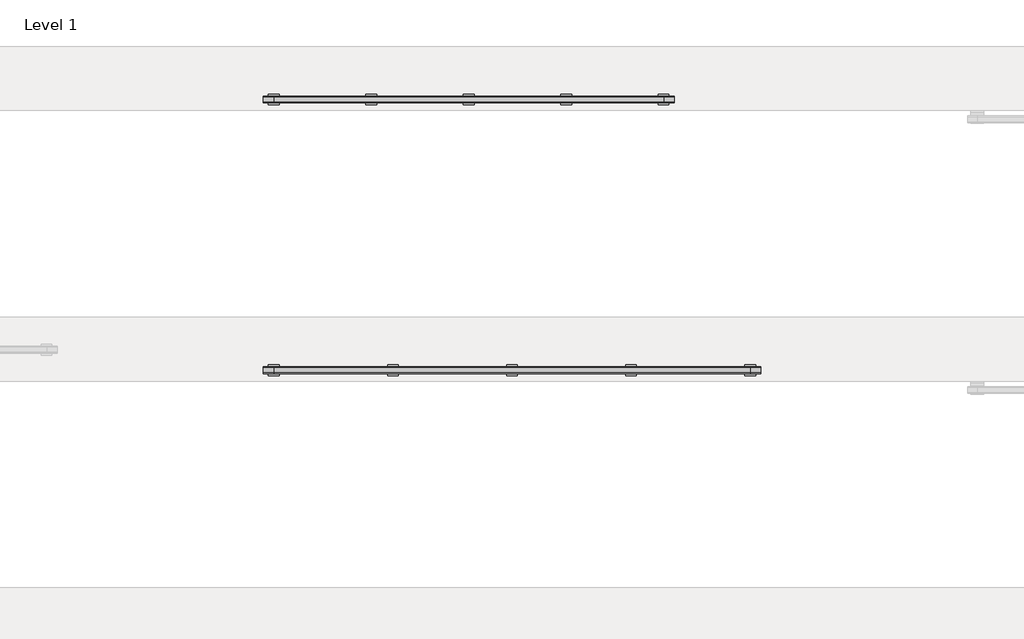
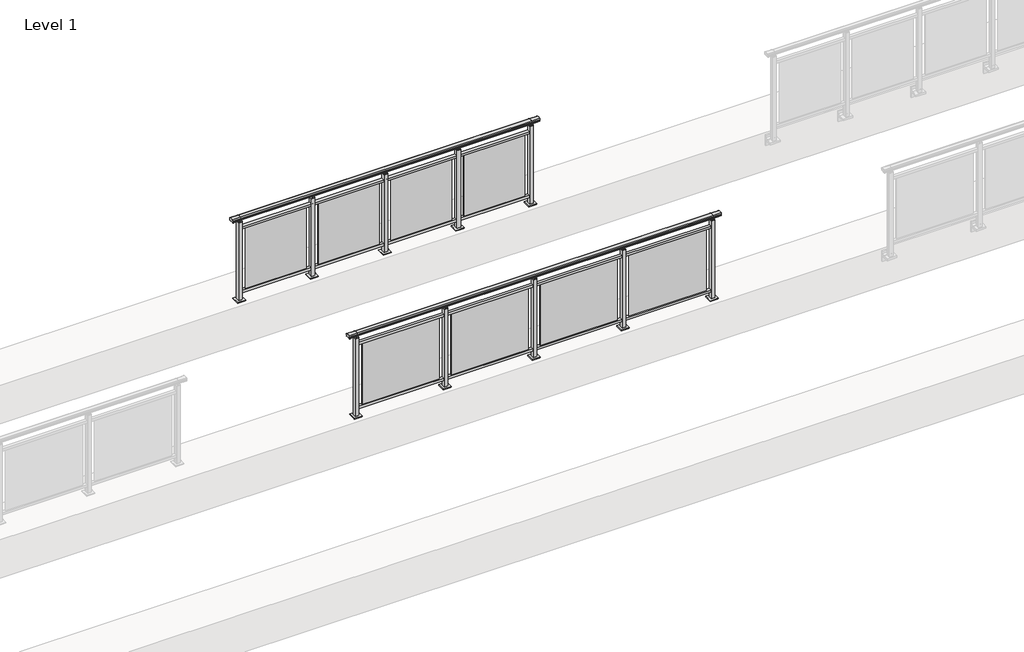
# One storey, part 39 of 64: 2 railings.
"""IFC4 building model written with IfcOpenShell, lengths in millimetres."""

from ifc_helpers import new_model, si_unit, frame, origin, origin_with_axes, place, context, project, spatial, polyline, circle_curve, outline, extrude, element, save
from ifc_brep_helpers import plane_surface, cylinder_surface, revolved_surface, advanced_brep

model = new_model("IFC4")

# Units and contexts
model_context = context("Model", 3, world=origin())
ifc_project = project(units=[si_unit("LENGTHUNIT", "METRE", prefix="MILLI")], contexts=[model_context])

# Site, building, storey
site = spatial("IfcSite", under=ifc_project)
building = spatial("IfcBuilding", under=site)
storey = spatial("IfcBuildingStorey", under=building, Name="Level 1", Elevation=0.0)

# Railings
placement = place(None, origin())
element("IfcRailing", 1, at=placement, inside=storey, context=model_context, shape_type="SolidModel", body=[
    advanced_brep(
    [(36400.0, 5025.3633756, 1095.6691182), (36400.0, 5030.1846828, 1081.1334092), (36400.0, 5029.2413744, 1069.2539035), (36400.0, 5031.1364177, 1061.4863007), (36400.0, 5029.4894799, 1060.384124), (36400.0, 5029.4894799, 1062.0), (36400.0, 4970.8798858, 1062.0), (36400.0, 4970.8798858, 1060.384124), (36400.0, 4969.232948, 1061.4863007), (36400.0, 4971.1279912, 1069.2539035), (36400.0, 4970.1846828, 1081.1334092), (36400.0, 4975.00599, 1095.6691182), (41000.0, 5025.3633756, 1095.6691182), (41000.0, 4975.00599, 1095.6691182), (41000.0, 4970.1846828, 1081.1334092), (41000.0, 4971.1279912, 1069.2539035), (41000.0, 4969.232948, 1061.4863007), (41000.0, 4970.8798858, 1060.384124), (41000.0, 4970.8798858, 1062.0), (41000.0, 5029.4894799, 1062.0), (41000.0, 5029.4894799, 1060.384124), (41000.0, 5031.1364177, 1061.4863007), (41000.0, 5029.2413744, 1069.2539035), (41000.0, 5030.1846828, 1081.1334092), (36500.0, 5025.3633756, 1095.6691182), (36500.0, 5030.1846828, 1081.1334092), (36500.0, 5029.2413744, 1069.2539035), (36500.0, 5031.1364177, 1061.4863007), (36500.0, 5029.4894799, 1060.384124), (36500.0, 5029.4894799, 1062.0), (36500.0, 4970.8798858, 1062.0), (36500.0, 4970.8798858, 1060.384124), (36500.0, 4969.232948, 1061.4863007), (36500.0, 4971.1279912, 1069.2539035), (36500.0, 4970.1846828, 1081.1334092), (36500.0, 4975.00599, 1095.6691182), (40900.0, 5025.3633756, 1095.6691182), (40900.0, 5030.1846828, 1081.1334092), (40900.0, 5029.2413744, 1069.2539035), (40900.0, 5031.1364177, 1061.4863007), (40900.0, 5029.4894799, 1060.384124), (40900.0, 5029.4894799, 1062.0), (40900.0, 4970.8798858, 1062.0), (40900.0, 4970.8798858, 1060.384124), (40900.0, 4969.232948, 1061.4863007), (40900.0, 4971.1279912, 1069.2539035), (40900.0, 4970.1846828, 1081.1334092), (40900.0, 4975.00599, 1095.6691182)],
    [
        (0, 1, circle_curve(frame((36400.0, 5022.1223845, 1086.526686), z_axis=(-1.0, 0.0, 0.0), x_axis=(0.0, -1.0, 0.0)), 9.6999015)),
        (1, 2, circle_curve(frame((36400.0, 5047.7252545, 1073.7633709), z_axis=(1.0, 0.0, 0.0), x_axis=(0.0, -1.0, 0.0)), 19.0260117)),
        (2, 3),
        (3, 4, circle_curve(frame((36400.0, 5030.2772073, 1060.9886194), z_axis=(-1.0, 0.0, 0.0), x_axis=(0.0, -1.0, 0.0)), 0.9929396)),
        (4, 5),
        (5, 6),
        (6, 7),
        (7, 8, circle_curve(frame((36400.0, 4970.0921584, 1060.9886194), z_axis=(-1.0, 0.0, 0.0), x_axis=(0.0, 1.0, 0.0)), 0.9929396)),
        (8, 9),
        (9, 10, circle_curve(frame((36400.0, 4952.6441111, 1073.7633709), z_axis=(1.0, 0.0, 0.0), x_axis=(0.0, 1.0, 0.0)), 19.0260117)),
        (10, 11, circle_curve(frame((36400.0, 4978.2469812, 1086.526686), z_axis=(-1.0, 0.0, 0.0), x_axis=(0.0, 1.0, 0.0)), 9.6999015)),
        (11, 0, circle_curve(frame((36400.0, 5000.1846828, 1024.6431628), z_axis=(-1.0, 0.0, 0.0), x_axis=(0.0, 1.0, 0.0)), 75.3568372)),
        (12, 13, circle_curve(frame((41000.0, 5000.1846828, 1024.6431628), z_axis=(1.0, 0.0, 0.0), x_axis=(0.0, 1.0, 0.0)), 75.3568372)),
        (13, 14, circle_curve(frame((41000.0, 4978.2469812, 1086.526686), z_axis=(1.0, 0.0, 0.0), x_axis=(0.0, 1.0, 0.0)), 9.6999015)),
        (14, 15, circle_curve(frame((41000.0, 4952.6441111, 1073.7633709), z_axis=(-1.0, 0.0, 0.0), x_axis=(0.0, 1.0, 0.0)), 19.0260117)),
        (15, 16),
        (16, 17, circle_curve(frame((41000.0, 4970.0921584, 1060.9886194), z_axis=(1.0, 0.0, 0.0), x_axis=(0.0, 1.0, 0.0)), 0.9929396)),
        (17, 18),
        (18, 19),
        (19, 20),
        (20, 21, circle_curve(frame((41000.0, 5030.2772073, 1060.9886194), z_axis=(1.0, 0.0, 0.0), x_axis=(0.0, -1.0, 0.0)), 0.9929396)),
        (21, 22),
        (22, 23, circle_curve(frame((41000.0, 5047.7252545, 1073.7633709), z_axis=(-1.0, 0.0, 0.0), x_axis=(0.0, -1.0, 0.0)), 19.0260117)),
        (23, 12, circle_curve(frame((41000.0, 5022.1223845, 1086.526686), z_axis=(1.0, 0.0, 0.0), x_axis=(0.0, -1.0, 0.0)), 9.6999015)),
        (0, 24),
        (24, 25, circle_curve(frame((36500.0, 5022.1223845, 1086.526686), z_axis=(-1.0, 0.0, 0.0), x_axis=(0.0, -1.0, 0.0)), 9.6999015)),
        (25, 1),
        (25, 26, circle_curve(frame((36500.0, 5047.7252545, 1073.7633709), z_axis=(1.0, 0.0, 0.0), x_axis=(0.0, -1.0, 0.0)), 19.0260117)),
        (26, 2),
        (26, 27),
        (27, 3),
        (27, 28, circle_curve(frame((36500.0, 5030.2772073, 1060.9886194), z_axis=(-1.0, 0.0, 0.0), x_axis=(0.0, -1.0, 0.0)), 0.9929396)),
        (28, 4),
        (28, 29),
        (29, 5),
        (29, 30),
        (30, 6),
        (30, 31),
        (31, 7),
        (31, 32, circle_curve(frame((36500.0, 4970.0921584, 1060.9886194), z_axis=(-1.0, 0.0, 0.0), x_axis=(0.0, 1.0, 0.0)), 0.9929396)),
        (32, 8),
        (32, 33),
        (33, 9),
        (33, 34, circle_curve(frame((36500.0, 4952.6441111, 1073.7633709), z_axis=(1.0, 0.0, 0.0), x_axis=(0.0, 1.0, 0.0)), 19.0260117)),
        (34, 10),
        (34, 35, circle_curve(frame((36500.0, 4978.2469812, 1086.526686), z_axis=(-1.0, 0.0, 0.0), x_axis=(0.0, 1.0, 0.0)), 9.6999015)),
        (35, 11),
        (35, 24, circle_curve(frame((36500.0, 5000.1846828, 1024.6431628), z_axis=(-1.0, 0.0, 0.0), x_axis=(0.0, 1.0, 0.0)), 75.3568372)),
        (24, 36),
        (36, 37, circle_curve(frame((40900.0, 5022.1223845, 1086.526686), z_axis=(-1.0, 0.0, 0.0), x_axis=(0.0, -1.0, 0.0)), 9.6999015)),
        (37, 25),
        (37, 38, circle_curve(frame((40900.0, 5047.7252545, 1073.7633709), z_axis=(1.0, 0.0, 0.0), x_axis=(0.0, -1.0, 0.0)), 19.0260117)),
        (38, 26),
        (38, 39),
        (39, 27),
        (39, 40, circle_curve(frame((40900.0, 5030.2772073, 1060.9886194), z_axis=(-1.0, 0.0, 0.0), x_axis=(0.0, -1.0, 0.0)), 0.9929396)),
        (40, 28),
        (40, 41),
        (41, 29),
        (41, 42),
        (42, 30),
        (42, 43),
        (43, 31),
        (43, 44, circle_curve(frame((40900.0, 4970.0921584, 1060.9886194), z_axis=(-1.0, 0.0, 0.0), x_axis=(0.0, 1.0, 0.0)), 0.9929396)),
        (44, 32),
        (44, 45),
        (45, 33),
        (45, 46, circle_curve(frame((40900.0, 4952.6441111, 1073.7633709), z_axis=(1.0, 0.0, 0.0), x_axis=(0.0, 1.0, 0.0)), 19.0260117)),
        (46, 34),
        (46, 47, circle_curve(frame((40900.0, 4978.2469812, 1086.526686), z_axis=(-1.0, 0.0, 0.0), x_axis=(0.0, 1.0, 0.0)), 9.6999015)),
        (47, 35),
        (47, 36, circle_curve(frame((40900.0, 5000.1846828, 1024.6431628), z_axis=(-1.0, 0.0, 0.0), x_axis=(0.0, 1.0, 0.0)), 75.3568372)),
        (36, 12),
        (23, 37),
        (22, 38),
        (21, 39),
        (20, 40),
        (19, 41),
        (18, 42),
        (17, 43),
        (16, 44),
        (15, 45),
        (14, 46),
        (13, 47),
    ],
    [
        plane_surface(frame((36400.0, 5000.1846828, 1100.0), z_axis=(-1.0, 0.0, 0.0), x_axis=(0.0, 1.0, 0.0))),
        plane_surface(frame((41000.0, 5000.1846828, 1100.0), z_axis=(1.0, 0.0, 0.0), x_axis=(0.0, 1.0, 0.0))),
        cylinder_surface(frame((36400.0, 5022.1223845, 1086.526686), z_axis=(-1.0, 0.0, 0.0), x_axis=(0.0, -1.0, 0.0)), 9.6999015),
        revolved_surface(polyline([(36500.0, 5028.6992428, 1073.7633709), (36400.0, 5028.6992428, 1073.7633709)]), (36400.0, 5047.7252545, 1073.7633709), (1.0, 0.0, 0.0)),
        plane_surface(frame((36400.0, 5029.2413744, 1069.2539035), z_axis=(0.0, 0.9715057689301543, 0.2370159086125439), x_axis=(1.0, 0.0, 0.0))),
        cylinder_surface(frame((36400.0, 5030.2772073, 1060.9886194), z_axis=(-1.0, 0.0, 0.0), x_axis=(0.0, -1.0, 0.0)), 0.9929396),
        plane_surface(frame((36400.0, 5029.4894799, 1060.384124), z_axis=(0.0, -1.0, 0.0), x_axis=(1.0, 0.0, 0.0))),
        plane_surface(frame((36400.0, 5029.4894799, 1062.0), z_axis=(0.0, 0.0, -1.0), x_axis=(1.0, 0.0, 0.0))),
        plane_surface(frame((36400.0, 4970.8798858, 1062.0), z_axis=(0.0, 1.0, 0.0), x_axis=(1.0, 0.0, 0.0))),
        cylinder_surface(frame((36400.0, 4970.0921584, 1060.9886194), z_axis=(-1.0, 0.0, 0.0), x_axis=(0.0, 1.0, 0.0)), 0.9929396),
        plane_surface(frame((36400.0, 4969.232948, 1061.4863007), z_axis=(0.0, -0.9715057689301543, 0.2370159086125439), x_axis=(1.0, 0.0, 0.0))),
        revolved_surface(polyline([(36500.0, 4971.6701228, 1073.7633709), (36400.0, 4971.6701228, 1073.7633709)]), (36400.0, 4952.6441111, 1073.7633709), (1.0, 0.0, 0.0)),
        cylinder_surface(frame((36400.0, 4978.2469812, 1086.526686), z_axis=(-1.0, 0.0, 0.0), x_axis=(0.0, 1.0, 0.0)), 9.6999015),
        cylinder_surface(frame((36400.0, 5000.1846828, 1024.6431628), z_axis=(-1.0, 0.0, 0.0), x_axis=(0.0, 1.0, 0.0)), 75.3568372),
        cylinder_surface(frame((36500.0, 5022.1223845, 1086.526686), z_axis=(-1.0, 0.0, 0.0), x_axis=(0.0, -1.0, 0.0)), 9.6999015),
        revolved_surface(polyline([(40900.0, 5028.6992428, 1073.7633709), (36500.0, 5028.6992428, 1073.7633709)]), (36500.0, 5047.7252545, 1073.7633709), (1.0, 0.0, 0.0)),
        plane_surface(frame((36500.0, 5029.2413744, 1069.2539035), z_axis=(0.0, 0.9715057689301543, 0.2370159086125439), x_axis=(1.0, 0.0, 0.0))),
        cylinder_surface(frame((36500.0, 5030.2772073, 1060.9886194), z_axis=(-1.0, 0.0, 0.0), x_axis=(0.0, -1.0, 0.0)), 0.9929396),
        plane_surface(frame((36500.0, 5029.4894799, 1060.384124), z_axis=(0.0, -1.0, 0.0), x_axis=(1.0, 0.0, 0.0))),
        plane_surface(frame((36500.0, 5029.4894799, 1062.0), z_axis=(0.0, 0.0, -1.0), x_axis=(1.0, 0.0, 0.0))),
        plane_surface(frame((36500.0, 4970.8798858, 1062.0), z_axis=(0.0, 1.0, 0.0), x_axis=(1.0, 0.0, 0.0))),
        cylinder_surface(frame((36500.0, 4970.0921584, 1060.9886194), z_axis=(-1.0, 0.0, 0.0), x_axis=(0.0, 1.0, 0.0)), 0.9929396),
        plane_surface(frame((36500.0, 4969.232948, 1061.4863007), z_axis=(0.0, -0.9715057689301543, 0.2370159086125439), x_axis=(1.0, 0.0, 0.0))),
        revolved_surface(polyline([(40900.0, 4971.6701228, 1073.7633709), (36500.0, 4971.6701228, 1073.7633709)]), (36500.0, 4952.6441111, 1073.7633709), (1.0, 0.0, 0.0)),
        cylinder_surface(frame((36500.0, 4978.2469812, 1086.526686), z_axis=(-1.0, 0.0, 0.0), x_axis=(0.0, 1.0, 0.0)), 9.6999015),
        cylinder_surface(frame((36500.0, 5000.1846828, 1024.6431628), z_axis=(-1.0, 0.0, 0.0), x_axis=(0.0, 1.0, 0.0)), 75.3568372),
        cylinder_surface(frame((40900.0, 5022.1223845, 1086.526686), z_axis=(-1.0, 0.0, 0.0), x_axis=(0.0, -1.0, 0.0)), 9.6999015),
        revolved_surface(polyline([(41000.0, 5028.6992428, 1073.7633709), (40900.0, 5028.6992428, 1073.7633709)]), (40900.0, 5047.7252545, 1073.7633709), (1.0, 0.0, 0.0)),
        plane_surface(frame((40900.0, 5029.2413744, 1069.2539035), z_axis=(0.0, 0.9715057689301543, 0.2370159086125439), x_axis=(1.0, 0.0, 0.0))),
        cylinder_surface(frame((40900.0, 5030.2772073, 1060.9886194), z_axis=(-1.0, 0.0, 0.0), x_axis=(0.0, -1.0, 0.0)), 0.9929396),
        plane_surface(frame((40900.0, 5029.4894799, 1060.384124), z_axis=(0.0, -1.0, 0.0), x_axis=(1.0, 0.0, 0.0))),
        plane_surface(frame((40900.0, 5029.4894799, 1062.0), z_axis=(0.0, 0.0, -1.0), x_axis=(1.0, 0.0, 0.0))),
        plane_surface(frame((40900.0, 4970.8798858, 1062.0), z_axis=(0.0, 1.0, 0.0), x_axis=(1.0, 0.0, 0.0))),
        cylinder_surface(frame((40900.0, 4970.0921584, 1060.9886194), z_axis=(-1.0, 0.0, 0.0), x_axis=(0.0, 1.0, 0.0)), 0.9929396),
        plane_surface(frame((40900.0, 4969.232948, 1061.4863007), z_axis=(0.0, -0.9715057689301543, 0.2370159086125439), x_axis=(1.0, 0.0, 0.0))),
        revolved_surface(polyline([(41000.0, 4971.6701228, 1073.7633709), (40900.0, 4971.6701228, 1073.7633709)]), (40900.0, 4952.6441111, 1073.7633709), (1.0, 0.0, 0.0)),
        cylinder_surface(frame((40900.0, 4978.2469812, 1086.526686), z_axis=(-1.0, 0.0, 0.0), x_axis=(0.0, 1.0, 0.0)), 9.6999015),
        cylinder_surface(frame((40900.0, 5000.1846828, 1024.6431628), z_axis=(-1.0, 0.0, 0.0), x_axis=(0.0, 1.0, 0.0)), 75.3568372),
    ],
    [
        (0, [[1, 2, 3, 4, 5, 6, 7, 8, 9, 10, 11, 12]]),
        (1, [[13, 14, 15, 16, 17, 18, 19, 20, 21, 22, 23, 24]]),
        (2, [[-1, 25, 26, 27]]),
        (3, [[-2, -27, 28, 29]]),
        (4, [[-3, -29, 30, 31]]),
        (5, [[-4, -31, 32, 33]]),
        (6, [[-5, -33, 34, 35]]),
        (7, [[-6, -35, 36, 37]]),
        (8, [[-7, -37, 38, 39]]),
        (9, [[-8, -39, 40, 41]]),
        (10, [[-9, -41, 42, 43]]),
        (11, [[-10, -43, 44, 45]]),
        (12, [[-11, -45, 46, 47]]),
        (13, [[-12, -47, 48, -25]]),
        (14, [[-26, 49, 50, 51]]),
        (15, [[-28, -51, 52, 53]]),
        (16, [[-30, -53, 54, 55]]),
        (17, [[-32, -55, 56, 57]]),
        (18, [[-34, -57, 58, 59]]),
        (19, [[-36, -59, 60, 61]]),
        (20, [[-38, -61, 62, 63]]),
        (21, [[-40, -63, 64, 65]]),
        (22, [[-42, -65, 66, 67]]),
        (23, [[-44, -67, 68, 69]]),
        (24, [[-46, -69, 70, 71]]),
        (25, [[-48, -71, 72, -49]]),
        (26, [[-50, 73, -24, 74]]),
        (27, [[-52, -74, -23, 75]]),
        (28, [[-54, -75, -22, 76]]),
        (29, [[-56, -76, -21, 77]]),
        (30, [[-58, -77, -20, 78]]),
        (31, [[-60, -78, -19, 79]]),
        (32, [[-62, -79, -18, 80]]),
        (33, [[-64, -80, -17, 81]]),
        (34, [[-66, -81, -16, 82]]),
        (35, [[-68, -82, -15, 83]]),
        (36, [[-70, -83, -14, 84]]),
        (37, [[-72, -84, -13, -73]]),
    ],
),
    extrude(outline(polyline([(36500.0, 4982.6846828), (36500.0, 5017.6846828), (40900.0, 5017.6846828), (40900.0, 4982.6846828), (36500.0, 4982.6846828)])), frame((0.0, 0.0, 930.0), z_axis=(0.0, 0.0, 1.0), x_axis=(1.0, 0.0, 0.0)), (0.0, 0.0, 1.0), 30.0),
    extrude(outline(polyline([(36500.0, 4982.6846828), (36500.0, 5017.6846828), (40900.0, 5017.6846828), (40900.0, 4982.6846828), (36500.0, 4982.6846828)])), frame((0.0, 0.0, 95.0), z_axis=(0.0, 0.0, 1.0), x_axis=(1.0, 0.0, 0.0)), (0.0, 0.0, 1.0), 30.0),
    extrude(outline(polyline([(39872.5, 5001.9598727), (40827.5, 5001.9598727), (40827.5, 4995.9598727), (39872.5, 4995.9598727), (39872.5, 5001.9598727)])), frame((0.0, 0.0, 125.0), z_axis=(0.0, 0.0, 1.0), x_axis=(1.0, 0.0, 0.0)), (0.0, 0.0, 1.0), 805.0),
    extrude(outline(polyline([(39810.0, 4990.1846828), (39790.0, 4990.1846828), (39790.0, 5010.1846828), (39810.0, 5010.1846828), (39810.0, 4990.1846828)])), frame((0.0, 0.0, 1035.0), z_axis=(0.0, 0.0, 1.0), x_axis=(1.0, 0.0, 0.0)), (0.0, 0.0, 1.0), 20.0),
    extrude(outline(polyline([(39822.5, 4977.6846828), (39777.5, 4977.6846828), (39777.5, 5022.6846828), (39822.5, 5022.6846828), (39822.5, 4977.6846828)])), frame((0.0, 0.0, 1027.0), z_axis=(0.0, 0.0, 1.0), x_axis=(1.0, 0.0, 0.0)), (0.0, 0.0, 1.0), 8.0),
    extrude(outline(polyline([(39850.0, 4950.1846828), (39750.0, 4950.1846828), (39750.0, 5050.1846828), (39850.0, 5050.1846828), (39850.0, 4950.1846828)])), origin_with_axes(), (0.0, 0.0, 1.0), 12.0),
    extrude(outline(polyline([(39822.5, 4977.6846828), (39777.5, 4977.6846828), (39777.5, 5022.6846828), (39822.5, 5022.6846828), (39822.5, 4977.6846828)])), frame((0.0, 0.0, 12.0), z_axis=(0.0, 0.0, 1.0), x_axis=(1.0, 0.0, 0.0)), (0.0, 0.0, 1.0), 1015.0),
    extrude(outline(polyline([(38772.5, 5001.9598727), (39727.5, 5001.9598727), (39727.5, 4995.9598727), (38772.5, 4995.9598727), (38772.5, 5001.9598727)])), frame((0.0, 0.0, 125.0), z_axis=(0.0, 0.0, 1.0), x_axis=(1.0, 0.0, 0.0)), (0.0, 0.0, 1.0), 805.0),
    extrude(outline(polyline([(38710.0, 4990.1846828), (38690.0, 4990.1846828), (38690.0, 5010.1846828), (38710.0, 5010.1846828), (38710.0, 4990.1846828)])), frame((0.0, 0.0, 1035.0), z_axis=(0.0, 0.0, 1.0), x_axis=(1.0, 0.0, 0.0)), (0.0, 0.0, 1.0), 20.0),
    extrude(outline(polyline([(38722.5, 4977.6846828), (38677.5, 4977.6846828), (38677.5, 5022.6846828), (38722.5, 5022.6846828), (38722.5, 4977.6846828)])), frame((0.0, 0.0, 1027.0), z_axis=(0.0, 0.0, 1.0), x_axis=(1.0, 0.0, 0.0)), (0.0, 0.0, 1.0), 8.0),
    extrude(outline(polyline([(38750.0, 4950.1846828), (38650.0, 4950.1846828), (38650.0, 5050.1846828), (38750.0, 5050.1846828), (38750.0, 4950.1846828)])), origin_with_axes(), (0.0, 0.0, 1.0), 12.0),
    extrude(outline(polyline([(38722.5, 4977.6846828), (38677.5, 4977.6846828), (38677.5, 5022.6846828), (38722.5, 5022.6846828), (38722.5, 4977.6846828)])), frame((0.0, 0.0, 12.0), z_axis=(0.0, 0.0, 1.0), x_axis=(1.0, 0.0, 0.0)), (0.0, 0.0, 1.0), 1015.0),
    extrude(outline(polyline([(37672.5, 5001.9598727), (38627.5, 5001.9598727), (38627.5, 4995.9598727), (37672.5, 4995.9598727), (37672.5, 5001.9598727)])), frame((0.0, 0.0, 125.0), z_axis=(0.0, 0.0, 1.0), x_axis=(1.0, 0.0, 0.0)), (0.0, 0.0, 1.0), 805.0),
    extrude(outline(polyline([(37610.0, 4990.1846828), (37590.0, 4990.1846828), (37590.0, 5010.1846828), (37610.0, 5010.1846828), (37610.0, 4990.1846828)])), frame((0.0, 0.0, 1035.0), z_axis=(0.0, 0.0, 1.0), x_axis=(1.0, 0.0, 0.0)), (0.0, 0.0, 1.0), 20.0),
    extrude(outline(polyline([(37622.5, 4977.6846828), (37577.5, 4977.6846828), (37577.5, 5022.6846828), (37622.5, 5022.6846828), (37622.5, 4977.6846828)])), frame((0.0, 0.0, 1027.0), z_axis=(0.0, 0.0, 1.0), x_axis=(1.0, 0.0, 0.0)), (0.0, 0.0, 1.0), 8.0),
    extrude(outline(polyline([(37650.0, 4950.1846828), (37550.0, 4950.1846828), (37550.0, 5050.1846828), (37650.0, 5050.1846828), (37650.0, 4950.1846828)])), origin_with_axes(), (0.0, 0.0, 1.0), 12.0),
    extrude(outline(polyline([(37622.5, 4977.6846828), (37577.5, 4977.6846828), (37577.5, 5022.6846828), (37622.5, 5022.6846828), (37622.5, 4977.6846828)])), frame((0.0, 0.0, 12.0), z_axis=(0.0, 0.0, 1.0), x_axis=(1.0, 0.0, 0.0)), (0.0, 0.0, 1.0), 1015.0),
    extrude(outline(polyline([(36572.5, 5001.9598727), (37527.5, 5001.9598727), (37527.5, 4995.9598727), (36572.5, 4995.9598727), (36572.5, 5001.9598727)])), frame((0.0, 0.0, 125.0), z_axis=(0.0, 0.0, 1.0), x_axis=(1.0, 0.0, 0.0)), (0.0, 0.0, 1.0), 805.0),
    extrude(outline(polyline([(40910.0, 4990.1846828), (40890.0, 4990.1846828), (40890.0, 5010.1846828), (40910.0, 5010.1846828), (40910.0, 4990.1846828)])), frame((0.0, 0.0, 1035.0), z_axis=(0.0, 0.0, 1.0), x_axis=(1.0, 0.0, 0.0)), (0.0, 0.0, 1.0), 20.0),
    extrude(outline(polyline([(40922.5, 4977.6846828), (40877.5, 4977.6846828), (40877.5, 5022.6846828), (40922.5, 5022.6846828), (40922.5, 4977.6846828)])), frame((0.0, 0.0, 1027.0), z_axis=(0.0, 0.0, 1.0), x_axis=(1.0, 0.0, 0.0)), (0.0, 0.0, 1.0), 8.0),
    extrude(outline(polyline([(40950.0, 4950.1846828), (40850.0, 4950.1846828), (40850.0, 5050.1846828), (40950.0, 5050.1846828), (40950.0, 4950.1846828)])), origin_with_axes(), (0.0, 0.0, 1.0), 12.0),
    extrude(outline(polyline([(40922.5, 4977.6846828), (40877.5, 4977.6846828), (40877.5, 5022.6846828), (40922.5, 5022.6846828), (40922.5, 4977.6846828)])), frame((0.0, 0.0, 12.0), z_axis=(0.0, 0.0, 1.0), x_axis=(1.0, 0.0, 0.0)), (0.0, 0.0, 1.0), 1015.0),
    extrude(outline(polyline([(36510.0, 4990.1846828), (36490.0, 4990.1846828), (36490.0, 5010.1846828), (36510.0, 5010.1846828), (36510.0, 4990.1846828)])), frame((0.0, 0.0, 1035.0), z_axis=(0.0, 0.0, 1.0), x_axis=(1.0, 0.0, 0.0)), (0.0, 0.0, 1.0), 20.0),
    extrude(outline(polyline([(36522.5, 4977.6846828), (36477.5, 4977.6846828), (36477.5, 5022.6846828), (36522.5, 5022.6846828), (36522.5, 4977.6846828)])), frame((0.0, 0.0, 1027.0), z_axis=(0.0, 0.0, 1.0), x_axis=(1.0, 0.0, 0.0)), (0.0, 0.0, 1.0), 8.0),
    extrude(outline(polyline([(36550.0, 4950.1846828), (36450.0, 4950.1846828), (36450.0, 5050.1846828), (36550.0, 5050.1846828), (36550.0, 4950.1846828)])), origin_with_axes(), (0.0, 0.0, 1.0), 12.0),
    extrude(outline(polyline([(36522.5, 4977.6846828), (36477.5, 4977.6846828), (36477.5, 5022.6846828), (36522.5, 5022.6846828), (36522.5, 4977.6846828)])), frame((0.0, 0.0, 12.0), z_axis=(0.0, 0.0, 1.0), x_axis=(1.0, 0.0, 0.0)), (0.0, 0.0, 1.0), 1015.0),
])
element("IfcRailing", 2, at=placement, inside=storey, context=model_context, shape_type="SolidModel", body=[
    advanced_brep(
    [(36400.0, 7525.3633756, 1095.6691182), (36400.0, 7530.1846828, 1081.1334092), (36400.0, 7529.2413744, 1069.2539035), (36400.0, 7531.1364177, 1061.4863007), (36400.0, 7529.4894799, 1060.384124), (36400.0, 7529.4894799, 1062.0), (36400.0, 7470.8798858, 1062.0), (36400.0, 7470.8798858, 1060.384124), (36400.0, 7469.232948, 1061.4863007), (36400.0, 7471.1279912, 1069.2539035), (36400.0, 7470.1846828, 1081.1334092), (36400.0, 7475.00599, 1095.6691182), (40200.0, 7525.3633756, 1095.6691182), (40200.0, 7475.00599, 1095.6691182), (40200.0, 7470.1846828, 1081.1334092), (40200.0, 7471.1279912, 1069.2539035), (40200.0, 7469.232948, 1061.4863007), (40200.0, 7470.8798858, 1060.384124), (40200.0, 7470.8798858, 1062.0), (40200.0, 7529.4894799, 1062.0), (40200.0, 7529.4894799, 1060.384124), (40200.0, 7531.1364177, 1061.4863007), (40200.0, 7529.2413744, 1069.2539035), (40200.0, 7530.1846828, 1081.1334092), (36500.0, 7525.3633756, 1095.6691182), (36500.0, 7530.1846828, 1081.1334092), (36500.0, 7529.2413744, 1069.2539035), (36500.0, 7531.1364177, 1061.4863007), (36500.0, 7529.4894799, 1060.384124), (36500.0, 7529.4894799, 1062.0), (36500.0, 7470.8798858, 1062.0), (36500.0, 7470.8798858, 1060.384124), (36500.0, 7469.232948, 1061.4863007), (36500.0, 7471.1279912, 1069.2539035), (36500.0, 7470.1846828, 1081.1334092), (36500.0, 7475.00599, 1095.6691182), (40100.0, 7525.3633756, 1095.6691182), (40100.0, 7530.1846828, 1081.1334092), (40100.0, 7529.2413744, 1069.2539035), (40100.0, 7531.1364177, 1061.4863007), (40100.0, 7529.4894799, 1060.384124), (40100.0, 7529.4894799, 1062.0), (40100.0, 7470.8798858, 1062.0), (40100.0, 7470.8798858, 1060.384124), (40100.0, 7469.232948, 1061.4863007), (40100.0, 7471.1279912, 1069.2539035), (40100.0, 7470.1846828, 1081.1334092), (40100.0, 7475.00599, 1095.6691182)],
    [
        (0, 1, circle_curve(frame((36400.0, 7522.1223845, 1086.526686), z_axis=(-1.0, 0.0, 0.0), x_axis=(0.0, -1.0, 0.0)), 9.6999015)),
        (1, 2, circle_curve(frame((36400.0, 7547.7252545, 1073.7633709), z_axis=(1.0, 0.0, 0.0), x_axis=(0.0, -1.0, 0.0)), 19.0260117)),
        (2, 3),
        (3, 4, circle_curve(frame((36400.0, 7530.2772073, 1060.9886194), z_axis=(-1.0, 0.0, 0.0), x_axis=(0.0, -1.0, 0.0)), 0.9929396)),
        (4, 5),
        (5, 6),
        (6, 7),
        (7, 8, circle_curve(frame((36400.0, 7470.0921584, 1060.9886194), z_axis=(-1.0, 0.0, 0.0), x_axis=(0.0, 1.0, 0.0)), 0.9929396)),
        (8, 9),
        (9, 10, circle_curve(frame((36400.0, 7452.6441111, 1073.7633709), z_axis=(1.0, 0.0, 0.0), x_axis=(0.0, 1.0, 0.0)), 19.0260117)),
        (10, 11, circle_curve(frame((36400.0, 7478.2469812, 1086.526686), z_axis=(-1.0, 0.0, 0.0), x_axis=(0.0, 1.0, 0.0)), 9.6999015)),
        (11, 0, circle_curve(frame((36400.0, 7500.1846828, 1024.6431628), z_axis=(-1.0, 0.0, 0.0), x_axis=(0.0, 1.0, 0.0)), 75.3568372)),
        (12, 13, circle_curve(frame((40200.0, 7500.1846828, 1024.6431628), z_axis=(1.0, 0.0, 0.0), x_axis=(0.0, 1.0, 0.0)), 75.3568372)),
        (13, 14, circle_curve(frame((40200.0, 7478.2469812, 1086.526686), z_axis=(1.0, 0.0, 0.0), x_axis=(0.0, 1.0, 0.0)), 9.6999015)),
        (14, 15, circle_curve(frame((40200.0, 7452.6441111, 1073.7633709), z_axis=(-1.0, 0.0, 0.0), x_axis=(0.0, 1.0, 0.0)), 19.0260117)),
        (15, 16),
        (16, 17, circle_curve(frame((40200.0, 7470.0921584, 1060.9886194), z_axis=(1.0, 0.0, 0.0), x_axis=(0.0, 1.0, 0.0)), 0.9929396)),
        (17, 18),
        (18, 19),
        (19, 20),
        (20, 21, circle_curve(frame((40200.0, 7530.2772073, 1060.9886194), z_axis=(1.0, 0.0, 0.0), x_axis=(0.0, -1.0, 0.0)), 0.9929396)),
        (21, 22),
        (22, 23, circle_curve(frame((40200.0, 7547.7252545, 1073.7633709), z_axis=(-1.0, 0.0, 0.0), x_axis=(0.0, -1.0, 0.0)), 19.0260117)),
        (23, 12, circle_curve(frame((40200.0, 7522.1223845, 1086.526686), z_axis=(1.0, 0.0, 0.0), x_axis=(0.0, -1.0, 0.0)), 9.6999015)),
        (0, 24),
        (24, 25, circle_curve(frame((36500.0, 7522.1223845, 1086.526686), z_axis=(-1.0, 0.0, 0.0), x_axis=(0.0, -1.0, 0.0)), 9.6999015)),
        (25, 1),
        (25, 26, circle_curve(frame((36500.0, 7547.7252545, 1073.7633709), z_axis=(1.0, 0.0, 0.0), x_axis=(0.0, -1.0, 0.0)), 19.0260117)),
        (26, 2),
        (26, 27),
        (27, 3),
        (27, 28, circle_curve(frame((36500.0, 7530.2772073, 1060.9886194), z_axis=(-1.0, 0.0, 0.0), x_axis=(0.0, -1.0, 0.0)), 0.9929396)),
        (28, 4),
        (28, 29),
        (29, 5),
        (29, 30),
        (30, 6),
        (30, 31),
        (31, 7),
        (31, 32, circle_curve(frame((36500.0, 7470.0921584, 1060.9886194), z_axis=(-1.0, 0.0, 0.0), x_axis=(0.0, 1.0, 0.0)), 0.9929396)),
        (32, 8),
        (32, 33),
        (33, 9),
        (33, 34, circle_curve(frame((36500.0, 7452.6441111, 1073.7633709), z_axis=(1.0, 0.0, 0.0), x_axis=(0.0, 1.0, 0.0)), 19.0260117)),
        (34, 10),
        (34, 35, circle_curve(frame((36500.0, 7478.2469812, 1086.526686), z_axis=(-1.0, 0.0, 0.0), x_axis=(0.0, 1.0, 0.0)), 9.6999015)),
        (35, 11),
        (35, 24, circle_curve(frame((36500.0, 7500.1846828, 1024.6431628), z_axis=(-1.0, 0.0, 0.0), x_axis=(0.0, 1.0, 0.0)), 75.3568372)),
        (24, 36),
        (36, 37, circle_curve(frame((40100.0, 7522.1223845, 1086.526686), z_axis=(-1.0, 0.0, 0.0), x_axis=(0.0, -1.0, 0.0)), 9.6999015)),
        (37, 25),
        (37, 38, circle_curve(frame((40100.0, 7547.7252545, 1073.7633709), z_axis=(1.0, 0.0, 0.0), x_axis=(0.0, -1.0, 0.0)), 19.0260117)),
        (38, 26),
        (38, 39),
        (39, 27),
        (39, 40, circle_curve(frame((40100.0, 7530.2772073, 1060.9886194), z_axis=(-1.0, 0.0, 0.0), x_axis=(0.0, -1.0, 0.0)), 0.9929396)),
        (40, 28),
        (40, 41),
        (41, 29),
        (41, 42),
        (42, 30),
        (42, 43),
        (43, 31),
        (43, 44, circle_curve(frame((40100.0, 7470.0921584, 1060.9886194), z_axis=(-1.0, 0.0, 0.0), x_axis=(0.0, 1.0, 0.0)), 0.9929396)),
        (44, 32),
        (44, 45),
        (45, 33),
        (45, 46, circle_curve(frame((40100.0, 7452.6441111, 1073.7633709), z_axis=(1.0, 0.0, 0.0), x_axis=(0.0, 1.0, 0.0)), 19.0260117)),
        (46, 34),
        (46, 47, circle_curve(frame((40100.0, 7478.2469812, 1086.526686), z_axis=(-1.0, 0.0, 0.0), x_axis=(0.0, 1.0, 0.0)), 9.6999015)),
        (47, 35),
        (47, 36, circle_curve(frame((40100.0, 7500.1846828, 1024.6431628), z_axis=(-1.0, 0.0, 0.0), x_axis=(0.0, 1.0, 0.0)), 75.3568372)),
        (36, 12),
        (23, 37),
        (22, 38),
        (21, 39),
        (20, 40),
        (19, 41),
        (18, 42),
        (17, 43),
        (16, 44),
        (15, 45),
        (14, 46),
        (13, 47),
    ],
    [
        plane_surface(frame((36400.0, 7500.1846828, 1100.0), z_axis=(-1.0, 0.0, 0.0), x_axis=(0.0, 1.0, 0.0))),
        plane_surface(frame((40200.0, 7500.1846828, 1100.0), z_axis=(1.0, 0.0, 0.0), x_axis=(0.0, 1.0, 0.0))),
        cylinder_surface(frame((36400.0, 7522.1223845, 1086.526686), z_axis=(-1.0, 0.0, 0.0), x_axis=(0.0, -1.0, 0.0)), 9.6999015),
        revolved_surface(polyline([(36500.0, 7528.6992428, 1073.7633709), (36400.0, 7528.6992428, 1073.7633709)]), (36400.0, 7547.7252545, 1073.7633709), (1.0, 0.0, 0.0)),
        plane_surface(frame((36400.0, 7529.2413744, 1069.2539035), z_axis=(0.0, 0.9715057689301543, 0.2370159086125439), x_axis=(1.0, 0.0, 0.0))),
        cylinder_surface(frame((36400.0, 7530.2772073, 1060.9886194), z_axis=(-1.0, 0.0, 0.0), x_axis=(0.0, -1.0, 0.0)), 0.9929396),
        plane_surface(frame((36400.0, 7529.4894799, 1060.384124), z_axis=(0.0, -1.0, 0.0), x_axis=(1.0, 0.0, 0.0))),
        plane_surface(frame((36400.0, 7529.4894799, 1062.0), z_axis=(0.0, 0.0, -1.0), x_axis=(1.0, 0.0, 0.0))),
        plane_surface(frame((36400.0, 7470.8798858, 1062.0), z_axis=(0.0, 1.0, 0.0), x_axis=(1.0, 0.0, 0.0))),
        cylinder_surface(frame((36400.0, 7470.0921584, 1060.9886194), z_axis=(-1.0, 0.0, 0.0), x_axis=(0.0, 1.0, 0.0)), 0.9929396),
        plane_surface(frame((36400.0, 7469.232948, 1061.4863007), z_axis=(0.0, -0.9715057689301543, 0.2370159086125439), x_axis=(1.0, 0.0, 0.0))),
        revolved_surface(polyline([(36500.0, 7471.6701228, 1073.7633709), (36400.0, 7471.6701228, 1073.7633709)]), (36400.0, 7452.6441111, 1073.7633709), (1.0, 0.0, 0.0)),
        cylinder_surface(frame((36400.0, 7478.2469812, 1086.526686), z_axis=(-1.0, 0.0, 0.0), x_axis=(0.0, 1.0, 0.0)), 9.6999015),
        cylinder_surface(frame((36400.0, 7500.1846828, 1024.6431628), z_axis=(-1.0, 0.0, 0.0), x_axis=(0.0, 1.0, 0.0)), 75.3568372),
        cylinder_surface(frame((36500.0, 7522.1223845, 1086.526686), z_axis=(-1.0, 0.0, 0.0), x_axis=(0.0, -1.0, 0.0)), 9.6999015),
        revolved_surface(polyline([(40100.0, 7528.6992428, 1073.7633709), (36500.0, 7528.6992428, 1073.7633709)]), (36500.0, 7547.7252545, 1073.7633709), (1.0, 0.0, 0.0)),
        plane_surface(frame((36500.0, 7529.2413744, 1069.2539035), z_axis=(0.0, 0.9715057689301543, 0.2370159086125439), x_axis=(1.0, 0.0, 0.0))),
        cylinder_surface(frame((36500.0, 7530.2772073, 1060.9886194), z_axis=(-1.0, 0.0, 0.0), x_axis=(0.0, -1.0, 0.0)), 0.9929396),
        plane_surface(frame((36500.0, 7529.4894799, 1060.384124), z_axis=(0.0, -1.0, 0.0), x_axis=(1.0, 0.0, 0.0))),
        plane_surface(frame((36500.0, 7529.4894799, 1062.0), z_axis=(0.0, 0.0, -1.0), x_axis=(1.0, 0.0, 0.0))),
        plane_surface(frame((36500.0, 7470.8798858, 1062.0), z_axis=(0.0, 1.0, 0.0), x_axis=(1.0, 0.0, 0.0))),
        cylinder_surface(frame((36500.0, 7470.0921584, 1060.9886194), z_axis=(-1.0, 0.0, 0.0), x_axis=(0.0, 1.0, 0.0)), 0.9929396),
        plane_surface(frame((36500.0, 7469.232948, 1061.4863007), z_axis=(0.0, -0.9715057689301543, 0.2370159086125439), x_axis=(1.0, 0.0, 0.0))),
        revolved_surface(polyline([(40100.0, 7471.6701228, 1073.7633709), (36500.0, 7471.6701228, 1073.7633709)]), (36500.0, 7452.6441111, 1073.7633709), (1.0, 0.0, 0.0)),
        cylinder_surface(frame((36500.0, 7478.2469812, 1086.526686), z_axis=(-1.0, 0.0, 0.0), x_axis=(0.0, 1.0, 0.0)), 9.6999015),
        cylinder_surface(frame((36500.0, 7500.1846828, 1024.6431628), z_axis=(-1.0, 0.0, 0.0), x_axis=(0.0, 1.0, 0.0)), 75.3568372),
        cylinder_surface(frame((40100.0, 7522.1223845, 1086.526686), z_axis=(-1.0, 0.0, 0.0), x_axis=(0.0, -1.0, 0.0)), 9.6999015),
        revolved_surface(polyline([(40200.0, 7528.6992428, 1073.7633709), (40100.0, 7528.6992428, 1073.7633709)]), (40100.0, 7547.7252545, 1073.7633709), (1.0, 0.0, 0.0)),
        plane_surface(frame((40100.0, 7529.2413744, 1069.2539035), z_axis=(0.0, 0.9715057689301543, 0.2370159086125439), x_axis=(1.0, 0.0, 0.0))),
        cylinder_surface(frame((40100.0, 7530.2772073, 1060.9886194), z_axis=(-1.0, 0.0, 0.0), x_axis=(0.0, -1.0, 0.0)), 0.9929396),
        plane_surface(frame((40100.0, 7529.4894799, 1060.384124), z_axis=(0.0, -1.0, 0.0), x_axis=(1.0, 0.0, 0.0))),
        plane_surface(frame((40100.0, 7529.4894799, 1062.0), z_axis=(0.0, 0.0, -1.0), x_axis=(1.0, 0.0, 0.0))),
        plane_surface(frame((40100.0, 7470.8798858, 1062.0), z_axis=(0.0, 1.0, 0.0), x_axis=(1.0, 0.0, 0.0))),
        cylinder_surface(frame((40100.0, 7470.0921584, 1060.9886194), z_axis=(-1.0, 0.0, 0.0), x_axis=(0.0, 1.0, 0.0)), 0.9929396),
        plane_surface(frame((40100.0, 7469.232948, 1061.4863007), z_axis=(0.0, -0.9715057689301543, 0.2370159086125439), x_axis=(1.0, 0.0, 0.0))),
        revolved_surface(polyline([(40200.0, 7471.6701228, 1073.7633709), (40100.0, 7471.6701228, 1073.7633709)]), (40100.0, 7452.6441111, 1073.7633709), (1.0, 0.0, 0.0)),
        cylinder_surface(frame((40100.0, 7478.2469812, 1086.526686), z_axis=(-1.0, 0.0, 0.0), x_axis=(0.0, 1.0, 0.0)), 9.6999015),
        cylinder_surface(frame((40100.0, 7500.1846828, 1024.6431628), z_axis=(-1.0, 0.0, 0.0), x_axis=(0.0, 1.0, 0.0)), 75.3568372),
    ],
    [
        (0, [[1, 2, 3, 4, 5, 6, 7, 8, 9, 10, 11, 12]]),
        (1, [[13, 14, 15, 16, 17, 18, 19, 20, 21, 22, 23, 24]]),
        (2, [[-1, 25, 26, 27]]),
        (3, [[-2, -27, 28, 29]]),
        (4, [[-3, -29, 30, 31]]),
        (5, [[-4, -31, 32, 33]]),
        (6, [[-5, -33, 34, 35]]),
        (7, [[-6, -35, 36, 37]]),
        (8, [[-7, -37, 38, 39]]),
        (9, [[-8, -39, 40, 41]]),
        (10, [[-9, -41, 42, 43]]),
        (11, [[-10, -43, 44, 45]]),
        (12, [[-11, -45, 46, 47]]),
        (13, [[-12, -47, 48, -25]]),
        (14, [[-26, 49, 50, 51]]),
        (15, [[-28, -51, 52, 53]]),
        (16, [[-30, -53, 54, 55]]),
        (17, [[-32, -55, 56, 57]]),
        (18, [[-34, -57, 58, 59]]),
        (19, [[-36, -59, 60, 61]]),
        (20, [[-38, -61, 62, 63]]),
        (21, [[-40, -63, 64, 65]]),
        (22, [[-42, -65, 66, 67]]),
        (23, [[-44, -67, 68, 69]]),
        (24, [[-46, -69, 70, 71]]),
        (25, [[-48, -71, 72, -49]]),
        (26, [[-50, 73, -24, 74]]),
        (27, [[-52, -74, -23, 75]]),
        (28, [[-54, -75, -22, 76]]),
        (29, [[-56, -76, -21, 77]]),
        (30, [[-58, -77, -20, 78]]),
        (31, [[-60, -78, -19, 79]]),
        (32, [[-62, -79, -18, 80]]),
        (33, [[-64, -80, -17, 81]]),
        (34, [[-66, -81, -16, 82]]),
        (35, [[-68, -82, -15, 83]]),
        (36, [[-70, -83, -14, 84]]),
        (37, [[-72, -84, -13, -73]]),
    ],
),
    extrude(outline(polyline([(36500.0, 7482.6846828), (36500.0, 7517.6846828), (40100.0, 7517.6846828), (40100.0, 7482.6846828), (36500.0, 7482.6846828)])), frame((0.0, 0.0, 930.0), z_axis=(0.0, 0.0, 1.0), x_axis=(1.0, 0.0, 0.0)), (0.0, 0.0, 1.0), 30.0),
    extrude(outline(polyline([(36500.0, 7482.6846828), (36500.0, 7517.6846828), (40100.0, 7517.6846828), (40100.0, 7482.6846828), (36500.0, 7482.6846828)])), frame((0.0, 0.0, 95.0), z_axis=(0.0, 0.0, 1.0), x_axis=(1.0, 0.0, 0.0)), (0.0, 0.0, 1.0), 30.0),
    extrude(outline(polyline([(39272.5, 7501.9598727), (40027.5, 7501.9598727), (40027.5, 7495.9598727), (39272.5, 7495.9598727), (39272.5, 7501.9598727)])), frame((0.0, 0.0, 125.0), z_axis=(0.0, 0.0, 1.0), x_axis=(1.0, 0.0, 0.0)), (0.0, 0.0, 1.0), 805.0),
    extrude(outline(polyline([(39210.0, 7490.1846828), (39190.0, 7490.1846828), (39190.0, 7510.1846828), (39210.0, 7510.1846828), (39210.0, 7490.1846828)])), frame((0.0, 0.0, 1035.0), z_axis=(0.0, 0.0, 1.0), x_axis=(1.0, 0.0, 0.0)), (0.0, 0.0, 1.0), 20.0),
    extrude(outline(polyline([(39222.5, 7477.6846828), (39177.5, 7477.6846828), (39177.5, 7522.6846828), (39222.5, 7522.6846828), (39222.5, 7477.6846828)])), frame((0.0, 0.0, 1027.0), z_axis=(0.0, 0.0, 1.0), x_axis=(1.0, 0.0, 0.0)), (0.0, 0.0, 1.0), 8.0),
    extrude(outline(polyline([(39250.0, 7450.1846828), (39150.0, 7450.1846828), (39150.0, 7550.1846828), (39250.0, 7550.1846828), (39250.0, 7450.1846828)])), origin_with_axes(), (0.0, 0.0, 1.0), 12.0),
    extrude(outline(polyline([(39222.5, 7477.6846828), (39177.5, 7477.6846828), (39177.5, 7522.6846828), (39222.5, 7522.6846828), (39222.5, 7477.6846828)])), frame((0.0, 0.0, 12.0), z_axis=(0.0, 0.0, 1.0), x_axis=(1.0, 0.0, 0.0)), (0.0, 0.0, 1.0), 1015.0),
    extrude(outline(polyline([(38372.5, 7501.9598727), (39127.5, 7501.9598727), (39127.5, 7495.9598727), (38372.5, 7495.9598727), (38372.5, 7501.9598727)])), frame((0.0, 0.0, 125.0), z_axis=(0.0, 0.0, 1.0), x_axis=(1.0, 0.0, 0.0)), (0.0, 0.0, 1.0), 805.0),
    extrude(outline(polyline([(38310.0, 7490.1846828), (38290.0, 7490.1846828), (38290.0, 7510.1846828), (38310.0, 7510.1846828), (38310.0, 7490.1846828)])), frame((0.0, 0.0, 1035.0), z_axis=(0.0, 0.0, 1.0), x_axis=(1.0, 0.0, 0.0)), (0.0, 0.0, 1.0), 20.0),
    extrude(outline(polyline([(38322.5, 7477.6846828), (38277.5, 7477.6846828), (38277.5, 7522.6846828), (38322.5, 7522.6846828), (38322.5, 7477.6846828)])), frame((0.0, 0.0, 1027.0), z_axis=(0.0, 0.0, 1.0), x_axis=(1.0, 0.0, 0.0)), (0.0, 0.0, 1.0), 8.0),
    extrude(outline(polyline([(38350.0, 7450.1846828), (38250.0, 7450.1846828), (38250.0, 7550.1846828), (38350.0, 7550.1846828), (38350.0, 7450.1846828)])), origin_with_axes(), (0.0, 0.0, 1.0), 12.0),
    extrude(outline(polyline([(38322.5, 7477.6846828), (38277.5, 7477.6846828), (38277.5, 7522.6846828), (38322.5, 7522.6846828), (38322.5, 7477.6846828)])), frame((0.0, 0.0, 12.0), z_axis=(0.0, 0.0, 1.0), x_axis=(1.0, 0.0, 0.0)), (0.0, 0.0, 1.0), 1015.0),
    extrude(outline(polyline([(37472.5, 7501.9598727), (38227.5, 7501.9598727), (38227.5, 7495.9598727), (37472.5, 7495.9598727), (37472.5, 7501.9598727)])), frame((0.0, 0.0, 125.0), z_axis=(0.0, 0.0, 1.0), x_axis=(1.0, 0.0, 0.0)), (0.0, 0.0, 1.0), 805.0),
    extrude(outline(polyline([(37410.0, 7490.1846828), (37390.0, 7490.1846828), (37390.0, 7510.1846828), (37410.0, 7510.1846828), (37410.0, 7490.1846828)])), frame((0.0, 0.0, 1035.0), z_axis=(0.0, 0.0, 1.0), x_axis=(1.0, 0.0, 0.0)), (0.0, 0.0, 1.0), 20.0),
    extrude(outline(polyline([(37422.5, 7477.6846828), (37377.5, 7477.6846828), (37377.5, 7522.6846828), (37422.5, 7522.6846828), (37422.5, 7477.6846828)])), frame((0.0, 0.0, 1027.0), z_axis=(0.0, 0.0, 1.0), x_axis=(1.0, 0.0, 0.0)), (0.0, 0.0, 1.0), 8.0),
    extrude(outline(polyline([(37450.0, 7450.1846828), (37350.0, 7450.1846828), (37350.0, 7550.1846828), (37450.0, 7550.1846828), (37450.0, 7450.1846828)])), origin_with_axes(), (0.0, 0.0, 1.0), 12.0),
    extrude(outline(polyline([(37422.5, 7477.6846828), (37377.5, 7477.6846828), (37377.5, 7522.6846828), (37422.5, 7522.6846828), (37422.5, 7477.6846828)])), frame((0.0, 0.0, 12.0), z_axis=(0.0, 0.0, 1.0), x_axis=(1.0, 0.0, 0.0)), (0.0, 0.0, 1.0), 1015.0),
    extrude(outline(polyline([(36572.5, 7501.9598727), (37327.5, 7501.9598727), (37327.5, 7495.9598727), (36572.5, 7495.9598727), (36572.5, 7501.9598727)])), frame((0.0, 0.0, 125.0), z_axis=(0.0, 0.0, 1.0), x_axis=(1.0, 0.0, 0.0)), (0.0, 0.0, 1.0), 805.0),
    extrude(outline(polyline([(40110.0, 7490.1846828), (40090.0, 7490.1846828), (40090.0, 7510.1846828), (40110.0, 7510.1846828), (40110.0, 7490.1846828)])), frame((0.0, 0.0, 1035.0), z_axis=(0.0, 0.0, 1.0), x_axis=(1.0, 0.0, 0.0)), (0.0, 0.0, 1.0), 20.0),
    extrude(outline(polyline([(40122.5, 7477.6846828), (40077.5, 7477.6846828), (40077.5, 7522.6846828), (40122.5, 7522.6846828), (40122.5, 7477.6846828)])), frame((0.0, 0.0, 1027.0), z_axis=(0.0, 0.0, 1.0), x_axis=(1.0, 0.0, 0.0)), (0.0, 0.0, 1.0), 8.0),
    extrude(outline(polyline([(40150.0, 7450.1846828), (40050.0, 7450.1846828), (40050.0, 7550.1846828), (40150.0, 7550.1846828), (40150.0, 7450.1846828)])), origin_with_axes(), (0.0, 0.0, 1.0), 12.0),
    extrude(outline(polyline([(40122.5, 7477.6846828), (40077.5, 7477.6846828), (40077.5, 7522.6846828), (40122.5, 7522.6846828), (40122.5, 7477.6846828)])), frame((0.0, 0.0, 12.0), z_axis=(0.0, 0.0, 1.0), x_axis=(1.0, 0.0, 0.0)), (0.0, 0.0, 1.0), 1015.0),
    extrude(outline(polyline([(36510.0, 7490.1846828), (36490.0, 7490.1846828), (36490.0, 7510.1846828), (36510.0, 7510.1846828), (36510.0, 7490.1846828)])), frame((0.0, 0.0, 1035.0), z_axis=(0.0, 0.0, 1.0), x_axis=(1.0, 0.0, 0.0)), (0.0, 0.0, 1.0), 20.0),
    extrude(outline(polyline([(36522.5, 7477.6846828), (36477.5, 7477.6846828), (36477.5, 7522.6846828), (36522.5, 7522.6846828), (36522.5, 7477.6846828)])), frame((0.0, 0.0, 1027.0), z_axis=(0.0, 0.0, 1.0), x_axis=(1.0, 0.0, 0.0)), (0.0, 0.0, 1.0), 8.0),
    extrude(outline(polyline([(36550.0, 7450.1846828), (36450.0, 7450.1846828), (36450.0, 7550.1846828), (36550.0, 7550.1846828), (36550.0, 7450.1846828)])), origin_with_axes(), (0.0, 0.0, 1.0), 12.0),
    extrude(outline(polyline([(36522.5, 7477.6846828), (36477.5, 7477.6846828), (36477.5, 7522.6846828), (36522.5, 7522.6846828), (36522.5, 7477.6846828)])), frame((0.0, 0.0, 12.0), z_axis=(0.0, 0.0, 1.0), x_axis=(1.0, 0.0, 0.0)), (0.0, 0.0, 1.0), 1015.0),
])

save(model, "model.ifc")
